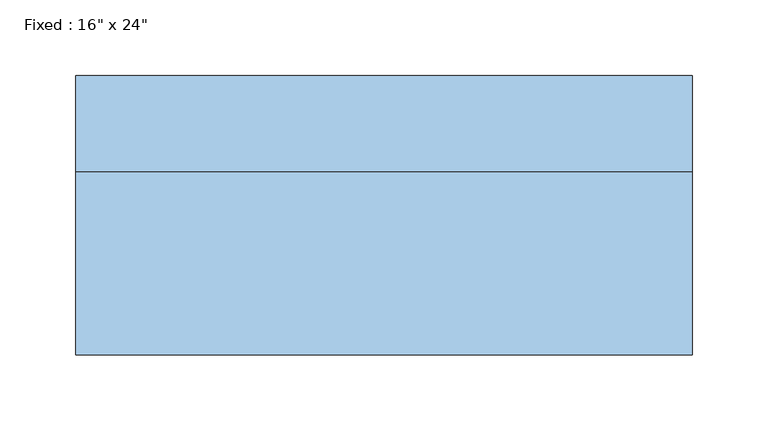
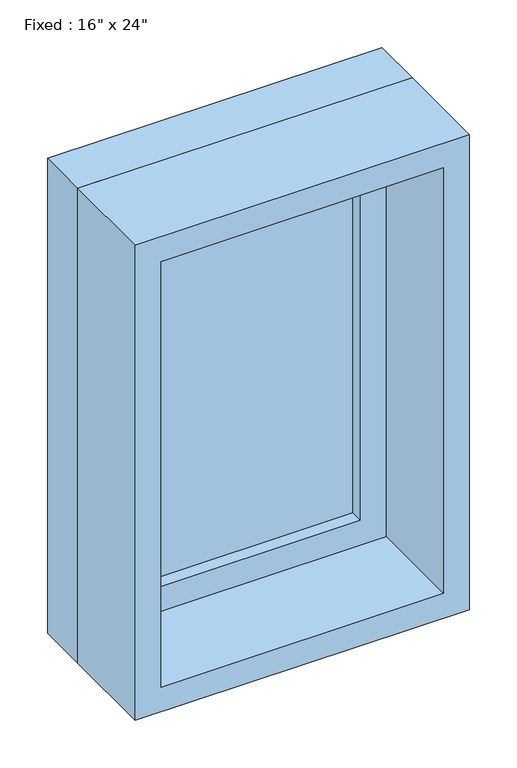
"""IFC4 building model written with IfcOpenShell, lengths in millimetres: window geometry."""

from ifc_helpers import new_model, si_unit, frame, origin, place, context, project, spatial, polyline, outline, extrude, source, transform, mapped, element, save


def window_fb578145(model_context):
    return source(origin(), model_context, "Body", "SweptSolid", [
        extrude(outline(polyline([(101.6, 44.45), (-177.8, 44.45), (-177.8, 57.15), (101.6, 57.15), (101.6, 44.45)])), frame((0.0, 0.0, 977.9), z_axis=(0.0, 0.0, 1.0), x_axis=(1.0, 0.0, 0.0)), (0.0, 0.0, 1.0), 482.6),
        extrude(outline(polyline([(1504.95, -222.25), (933.45, -222.25), (933.45, 146.05), (1504.95, 146.05), (1504.95, -222.25)]), holes=[polyline([(1460.5, -177.8), (1460.5, 101.6), (977.9, 101.6), (977.9, -177.8), (1460.5, -177.8)])]), frame((0.0, 28.575, 0.0), z_axis=(0.0, 1.0, 0.0), x_axis=(0.0, 0.0, 1.0)), (0.0, 0.0, 1.0), 44.45),
        extrude(outline(polyline([(1524.0, -241.3), (914.4, -241.3), (914.4, 165.1), (1524.0, 165.1), (1524.0, -241.3)]), holes=[polyline([(1492.25, -209.55), (1492.25, 133.35), (946.15, 133.35), (946.15, -209.55), (1492.25, -209.55)])]), frame((0.0, -92.075, 0.0), z_axis=(0.0, 1.0, 0.0), x_axis=(0.0, 0.0, 1.0)), (0.0, 0.0, 1.0), 120.65),
        extrude(outline(polyline([(1524.0, 165.1), (1524.0, -241.3), (914.4, -241.3), (914.4, 165.1), (1524.0, 165.1)]), holes=[polyline([(1504.95, 146.05), (933.45, 146.05), (933.45, -222.25), (1504.95, -222.25), (1504.95, 146.05)])]), frame((0.0, 28.575, 0.0), z_axis=(0.0, 1.0, 0.0), x_axis=(0.0, 0.0, 1.0)), (0.0, 0.0, 1.0), 63.5),
    ])


if __name__ == "__main__":
    model = new_model("IFC4")
    model_context = context("Model", 3, world=origin())
    ifc_project = project(units=[si_unit("LENGTHUNIT", "METRE", prefix="MILLI")], contexts=[model_context])
    site = spatial("IfcSite", under=ifc_project)
    building = spatial("IfcBuilding", under=site)
    placement = place(None, origin())
    window_shape = window_fb578145(model_context)
    element("IfcWindow", 1, ObjectType="Fixed : 16\" x 24\"", at=placement, inside=building, context=model_context, shape_type="MappedRepresentation", body=[
        mapped(window_shape, transform((0.0, 0.0, 0.0), x_axis=(1.0, 0.0, 0.0), y_axis=(0.0, 1.0, 0.0), z_axis=(0.0, 0.0, 1.0))),
    ])
    save(model, "model.ifc")
